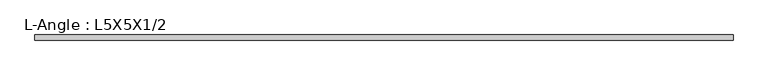
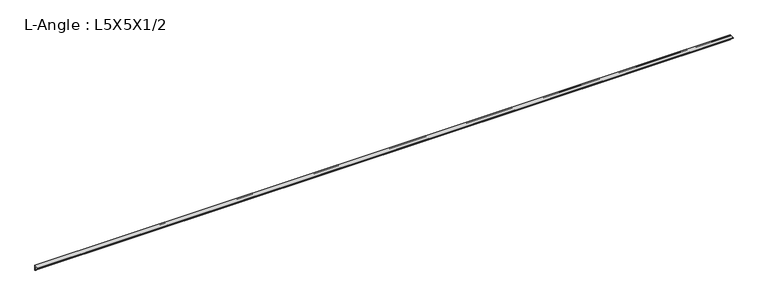
"""IFC4 building model written with IfcOpenShell, lengths in millimetres: beam geometry, L-Angle : L5X5X1/2."""

from ifc_helpers import new_model, si_unit, point, frame, frame_2d, origin, place, context, project, spatial, polyline, circle_curve, trimmed, segment, composite_curve, outline, extrude, source, transform, mapped, element, save


def l_angle_l5x5x1_2_294d6364(model_context):
    return source(origin(), model_context, "Body", "SweptSolid", [
        extrude(outline(composite_curve([segment(polyline([(36.068, 36.068), (36.068, -90.932)]), True, "CONTINUOUS"), segment(trimmed(circle_curve(frame_2d((36.068, -78.232)), 12.7), [point((36.068, -90.932))], [point((23.368, -78.232))], False, "CARTESIAN"), True, "CONTINUOUS"), segment(polyline([(23.368, -78.232), (23.368, 10.668)]), True, "CONTINUOUS"), segment(trimmed(circle_curve(frame_2d((10.668, 10.668)), 12.7), [point((23.368, 10.668))], [point((10.668, 23.368))], True, "CARTESIAN"), True, "CONTINUOUS"), segment(polyline([(10.668, 23.368), (-78.232, 23.368)]), True, "CONTINUOUS"), segment(trimmed(circle_curve(frame_2d((-78.232, 36.068)), 12.7), [point((-78.232, 23.368))], [point((-90.932, 36.068))], False, "CARTESIAN"), True, "CONTINUOUS"), segment(polyline([(-90.932, 36.068), (36.068, 36.068)]), True, "CONTINUOUS")], self_intersect=False)), frame((-8680.5066235, 0.0, 0.0), z_axis=(1.0, 0.0, 0.0), x_axis=(0.0, 1.0, 0.0)), (0.0, 0.0, 1.0), 17362.871112),
    ])


if __name__ == "__main__":
    model = new_model("IFC4")
    model_context = context("Model", 3, world=origin())
    ifc_project = project(units=[si_unit("LENGTHUNIT", "METRE", prefix="MILLI")], contexts=[model_context])
    site = spatial("IfcSite", under=ifc_project)
    building = spatial("IfcBuilding", under=site)
    placement = place(None, origin())
    l_angle_l5x5x1_2_shape = l_angle_l5x5x1_2_294d6364(model_context)
    element("IfcBeam", 1, ObjectType="L-Angle : L5X5X1/2", at=placement, inside=building, context=model_context, shape_type="MappedRepresentation", body=[
        mapped(l_angle_l5x5x1_2_shape, transform((0.0, 0.0, 0.0), x_axis=(1.0, 0.0, 0.0), y_axis=(0.0, 1.0, 0.0), z_axis=(0.0, 0.0, 1.0))),
    ])
    save(model, "model.ifc")
